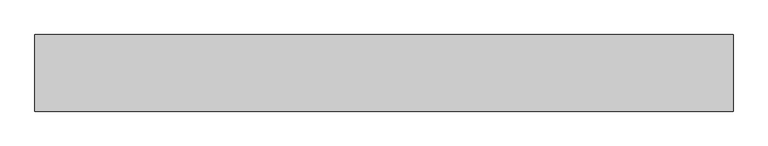
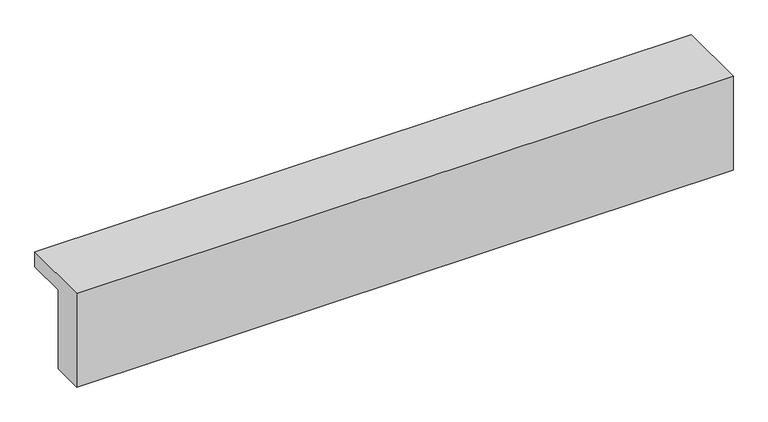
"""IFC4 building model written with IfcOpenShell, lengths in millimetres: fastener geometry."""

from ifc_helpers import new_model, si_unit, frame, origin, place, context, project, spatial, polyline, outline, extrude, source, transform, mapped, element, save


def fastener_aa68f9de(model_context):
    return source(origin(), model_context, "Body", "SweptSolid", [
        extrude(outline(polyline([(7951.187898, 7580.0), (7951.187898, 7060.0), (7751.187898, 7060.0), (7751.187898, 7680.0), (8201.187898, 7680.0), (8201.187898, 7580.0), (7951.187898, 7580.0)])), frame((3632.0511192, 0.0, 0.0), z_axis=(1.0, 0.0, 0.0), x_axis=(0.0, 1.0, 0.0)), (0.0, 0.0, 1.0), 4100.0),
    ])


if __name__ == "__main__":
    model = new_model("IFC4")
    model_context = context("Model", 3, world=origin())
    ifc_project = project(units=[si_unit("LENGTHUNIT", "METRE", prefix="MILLI")], contexts=[model_context])
    site = spatial("IfcSite", under=ifc_project)
    building = spatial("IfcBuilding", under=site)
    placement = place(None, origin())
    fastener_shape = fastener_aa68f9de(model_context)
    element("IfcFastener", 1, at=placement, inside=building, context=model_context, shape_type="MappedRepresentation", body=[
        mapped(fastener_shape, transform((0.0, 0.0, 0.0), x_axis=(1.0, 0.0, 0.0), y_axis=(0.0, 1.0, 0.0), z_axis=(0.0, 0.0, 1.0))),
    ])
    save(model, "model.ifc")
